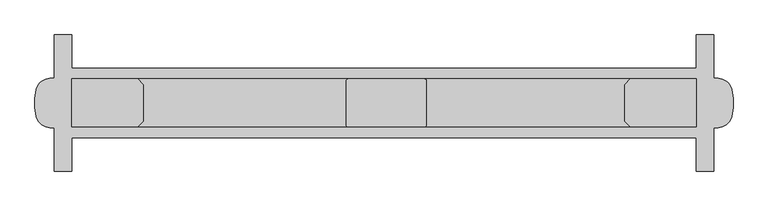
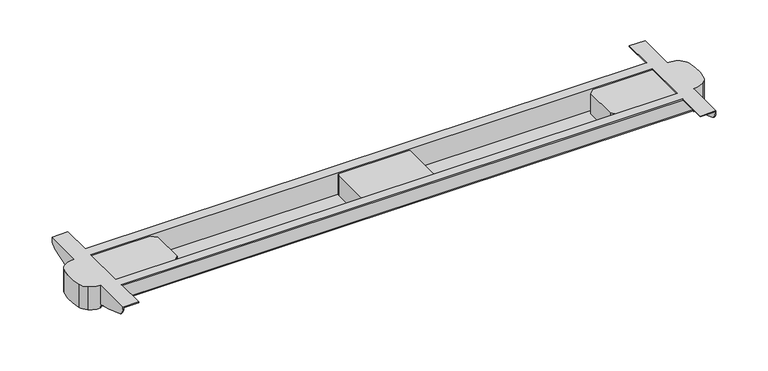
"""IFC4 building model written with IfcOpenShell, lengths in millimetres: furniture geometry."""

from ifc_helpers import new_model, si_unit, point, frame, frame_2d, origin, place, context, project, spatial, polyline, circle_curve, trimmed, segment, composite_curve, outline, extrude, source, transform, mapped, element, save
from ifc_brep_helpers import plane_surface, cylinder_surface, advanced_brep


def furniture_a9519adf(model_context):
    return source(origin(), model_context, "Body", "SolidModel", [
        advanced_brep(
        [(85.0, -480.0, 637.0), (58.2763436, -471.7002018, 637.0), (46.6942682, -454.9980486, 637.0), (46.6942682, -395.0019514, 637.0), (58.2763436, -378.2997982, 637.0), (85.0, -370.0, 637.0), (85.0, -376.0, 637.0), (1515.0, -376.0, 637.0), (1515.0, -370.0, 637.0), (1541.7236564, -378.2997982, 637.0), (1553.3057318, -395.0019514, 637.0), (1553.3057318, -454.9980486, 637.0), (1541.7236564, -471.7002018, 637.0), (1515.0, -480.0, 637.0), (1515.0, -474.0, 637.0), (85.0, -474.0, 637.0), (85.0, -370.0, 643.0), (85.0, -480.0, 643.0), (85.0, -373.0, 647.0), (85.0, -477.0, 647.0), (85.0, -477.0, 640.0), (85.0, -373.0, 640.0), (58.2763436, -378.2997982, 695.0), (85.0, -370.0, 695.0), (85.0, -370.0, 692.0), (85.0, -370.0, 647.0), (46.6942682, -395.0019514, 695.0), (46.6942682, -454.9980486, 695.0), (58.2763436, -471.7002018, 695.0), (85.0, -480.0, 695.0), (84.9091785, -480.0, 647.0), (85.0, -480.0, 692.0), (1541.7236564, -471.7002018, 695.0), (1515.0, -480.0, 695.0), (1515.0, -480.0, 692.0), (1515.0, -480.0, 647.0), (1515.0000004, -480.0, 643.0), (1553.3057318, -454.9980486, 695.0), (1553.3057318, -395.0019514, 695.0), (1541.7236564, -378.2997982, 695.0), (1515.0, -370.0, 695.0), (1515.0, -370.0, 643.0), (1515.0908215, -370.0, 647.0), (1515.0, -370.0, 692.0), (1515.0, -477.0, 647.0), (1515.0, -373.0, 647.0), (1515.0, -373.0, 640.0), (1515.0, -477.0, 640.0), (123.0, -349.5, 695.0), (1477.0, -349.5, 695.0), (1477.0, -349.5, 693.0), (1513.0, -349.5, 693.0), (1513.0, -349.5, 692.0), (87.0, -349.5, 692.0), (87.0, -349.5, 693.0), (123.0, -349.5, 693.0), (1513.0, -373.0, 647.0), (1513.0, -373.0, 693.0), (1477.0, -373.0, 693.0), (1477.0, -373.0, 695.0), (123.0, -373.0, 695.0), (123.0, -373.0, 693.0), (87.0, -373.0, 693.0), (87.0, -373.0, 647.0), (87.0, -477.0, 647.0), (87.0, -477.0, 693.0), (123.0, -477.0, 693.0), (123.0, -477.0, 695.0), (1477.0, -477.0, 695.0), (1477.0, -477.0, 693.0), (1513.0, -477.0, 693.0), (1513.0, -477.0, 647.0), (1477.0, -500.5, 695.0), (123.0, -500.5, 695.0), (123.0, -500.5, 693.0), (87.0, -500.5, 693.0), (87.0, -500.5, 692.0), (1513.0, -500.5, 692.0), (1513.0, -500.5, 693.0), (1477.0, -500.5, 693.0), (87.0, -480.0, 692.0), (1513.0, -480.0, 692.0), (1513.0, -480.0, 647.0), (87.0, -480.0, 647.0), (87.0, -370.0, 647.0), (87.0, -370.0, 692.0), (1513.0, -370.0, 692.0), (1513.0, -370.0, 647.0), (87.0, -572.5, 693.0), (123.0, -572.5, 693.0), (123.0, -572.5, 695.0), (85.0, -572.5, 695.0), (85.0, -572.5, 690.0), (87.0, -572.5, 690.0), (1515.0, -572.5, 695.0), (1477.0, -572.5, 695.0), (1477.0, -572.5, 693.0), (1513.0, -572.5, 693.0), (1513.0, -572.5, 690.0), (1515.0, -572.5, 690.0), (85.0, -277.5, 695.0), (123.0, -277.5, 695.0), (123.0, -277.5, 693.0), (87.0, -277.5, 693.0), (87.0, -277.5, 690.0), (85.0, -277.5, 690.0), (1513.0, -277.5, 693.0), (1477.0, -277.5, 693.0), (1477.0, -277.5, 695.0), (1515.0, -277.5, 695.0), (1515.0, -277.5, 690.0), (1513.0, -277.5, 690.0), (85.0, -482.2931901, 647.0), (85.0, -511.9736338, 654.4919759), (85.0, -561.3994142, 672.1446048), (85.0, -288.6005858, 672.1446048), (85.0, -338.0263662, 654.4919759), (85.0, -367.7068099, 647.0), (87.0, -367.7068099, 647.0), (87.0, -482.2931901, 647.0), (87.0, -561.3994142, 672.1446048), (87.0, -511.9736338, 654.4919759), (87.0, -338.0263662, 654.4919759), (87.0, -288.6005858, 672.1446048), (1513.0, -482.2931901, 647.0), (1513.0, -511.9736338, 654.4919759), (1513.0, -561.3994142, 672.1446048), (1513.0, -288.6005858, 672.1446048), (1513.0, -338.0263662, 654.4919759), (1513.0, -367.7068099, 647.0), (1515.0, -367.7068099, 647.0), (1515.0, -482.2931901, 647.0), (1515.0, -338.0263662, 654.4919759), (1515.0, -288.6005858, 672.1446048), (1515.0, -561.3994142, 672.1446048), (1515.0, -511.9736338, 654.4919759)],
        [
            (0, 1, circle_curve(frame((84.9545892, -432.9739542, 637.0), z_axis=(0.0, 0.0, -1.0), x_axis=(1.0, 0.0, 0.0)), 47.0260677)),
            (1, 2, circle_curve(frame((74.5881069, -448.0219812, 637.0), z_axis=(0.0, 0.0, -1.0), x_axis=(1.0, 0.0, 0.0)), 28.7529434)),
            (2, 3, circle_curve(frame((166.6416094, -425.0, 637.0), z_axis=(0.0, 0.0, -1.0), x_axis=(1.0, 0.0, 0.0)), 123.6416094)),
            (3, 4, circle_curve(frame((74.5881069, -401.9780188, 637.0), z_axis=(0.0, 0.0, -1.0), x_axis=(1.0, 0.0, 0.0)), 28.7529434)),
            (4, 5, circle_curve(frame((84.9545892, -417.0260458, 637.0), z_axis=(0.0, 0.0, -1.0), x_axis=(1.0, 0.0, 0.0)), 47.0260677)),
            (5, 6),
            (6, 7),
            (7, 8),
            (8, 9, circle_curve(frame((1515.0454108, -417.0260458, 637.0), z_axis=(0.0, 0.0, -1.0), x_axis=(1.0, 0.0, 0.0)), 47.0260677)),
            (9, 10, circle_curve(frame((1525.4118931, -401.9780188, 637.0), z_axis=(0.0, 0.0, -1.0), x_axis=(1.0, 0.0, 0.0)), 28.7529434)),
            (10, 11, circle_curve(frame((1433.3583906, -425.0, 637.0), z_axis=(0.0, 0.0, -1.0), x_axis=(1.0, 0.0, 0.0)), 123.6416094)),
            (11, 12, circle_curve(frame((1525.4118931, -448.0219812, 637.0), z_axis=(0.0, 0.0, -1.0), x_axis=(1.0, 0.0, 0.0)), 28.7529434)),
            (12, 13, circle_curve(frame((1515.0454108, -432.9739542, 637.0), z_axis=(0.0, 0.0, -1.0), x_axis=(1.0, 0.0, 0.0)), 47.0260677)),
            (13, 14),
            (14, 15),
            (15, 0),
            (5, 16),
            (16, 6, circle_curve(frame((85.0, -376.0, 643.0), z_axis=(-1.0, 0.0, 0.0), x_axis=(0.0, 1.0, 0.0)), 6.0)),
            (15, 17, circle_curve(frame((85.0, -474.0, 643.0), z_axis=(-1.0, 0.0, 0.0), x_axis=(0.0, 1.0, 0.0)), 6.0)),
            (17, 0),
            (18, 19),
            (19, 20),
            (20, 21),
            (21, 18),
            (22, 23, circle_curve(frame((84.9545892, -417.0260458, 695.0), z_axis=(0.0, 0.0, -1.0), x_axis=(1.0, 0.0, 0.0)), 47.0260677)),
            (23, 24),
            (24, 25),
            (25, 16),
            (4, 22),
            (26, 22, circle_curve(frame((74.5881069, -401.9780188, 695.0), z_axis=(0.0, 0.0, -1.0), x_axis=(1.0, 0.0, 0.0)), 28.7529434)),
            (3, 26),
            (27, 26, circle_curve(frame((166.6416094, -425.0, 695.0), z_axis=(0.0, 0.0, -1.0), x_axis=(1.0, 0.0, 0.0)), 123.6416094)),
            (2, 27),
            (28, 27, circle_curve(frame((74.5881069, -448.0219812, 695.0), z_axis=(0.0, 0.0, -1.0), x_axis=(1.0, 0.0, 0.0)), 28.7529434)),
            (1, 28),
            (29, 28, circle_curve(frame((84.9545892, -432.9739542, 695.0), z_axis=(0.0, 0.0, -1.0), x_axis=(1.0, 0.0, 0.0)), 47.0260677)),
            (17, 30),
            (30, 31),
            (31, 29),
            (32, 33, circle_curve(frame((1515.0454108, -432.9739542, 695.0), z_axis=(0.0, 0.0, -1.0), x_axis=(1.0, 0.0, 0.0)), 47.0260677)),
            (33, 34),
            (34, 35),
            (35, 36),
            (36, 13),
            (12, 32),
            (37, 32, circle_curve(frame((1525.4118931, -448.0219812, 695.0), z_axis=(0.0, 0.0, -1.0), x_axis=(1.0, 0.0, 0.0)), 28.7529434)),
            (11, 37),
            (38, 37, circle_curve(frame((1433.3583906, -425.0, 695.0), z_axis=(0.0, 0.0, -1.0), x_axis=(1.0, 0.0, 0.0)), 123.6416094)),
            (10, 38),
            (39, 38, circle_curve(frame((1525.4118931, -401.9780188, 695.0), z_axis=(0.0, 0.0, -1.0), x_axis=(1.0, 0.0, 0.0)), 28.7529434)),
            (9, 39),
            (40, 39, circle_curve(frame((1515.0454108, -417.0260458, 695.0), z_axis=(0.0, 0.0, -1.0), x_axis=(1.0, 0.0, 0.0)), 47.0260677)),
            (8, 41),
            (41, 42),
            (42, 43),
            (43, 40),
            (7, 41, circle_curve(frame((1515.0, -376.0, 643.0), z_axis=(1.0, 0.0, 0.0), x_axis=(0.0, 1.0, 0.0)), 6.0)),
            (36, 14, circle_curve(frame((1515.0, -474.0, 643.0), z_axis=(1.0, 0.0, 0.0), x_axis=(0.0, 1.0, 0.0)), 6.0)),
            (44, 45),
            (45, 46),
            (46, 47),
            (47, 44),
            (48, 49),
            (49, 50),
            (50, 51),
            (51, 52),
            (52, 53),
            (53, 54),
            (54, 55),
            (55, 48),
            (21, 46),
            (45, 56),
            (56, 57),
            (57, 58),
            (58, 59),
            (59, 60),
            (60, 61),
            (61, 62),
            (62, 63),
            (63, 18),
            (20, 47),
            (19, 64),
            (64, 65),
            (65, 66),
            (66, 67),
            (67, 68),
            (68, 69),
            (69, 70),
            (70, 71),
            (71, 44),
            (72, 73),
            (73, 74),
            (74, 75),
            (75, 76),
            (76, 77),
            (77, 78),
            (78, 79),
            (79, 72),
            (76, 80),
            (80, 81),
            (81, 77),
            (17, 36),
            (35, 82),
            (82, 81),
            (80, 83),
            (83, 30),
            (16, 41),
            (25, 84),
            (84, 85),
            (85, 86),
            (86, 87),
            (87, 42),
            (52, 86),
            (85, 53),
            (88, 89),
            (89, 90),
            (90, 91),
            (91, 92),
            (92, 93),
            (93, 88),
            (94, 95),
            (95, 96),
            (96, 97),
            (97, 98),
            (98, 99),
            (99, 94),
            (100, 101),
            (101, 102),
            (102, 103),
            (103, 104),
            (104, 105),
            (105, 100),
            (106, 107),
            (107, 108),
            (108, 109),
            (109, 110),
            (110, 111),
            (111, 106),
            (91, 29),
            (30, 112),
            (112, 113),
            (113, 114, circle_curve(frame((85.0, -444.8144565, 920.5518532), z_axis=(-1.0, 0.0, 0.0), x_axis=(0.0, 1.0, 0.0)), 274.4051993)),
            (114, 92, circle_curve(frame((85.0, -552.5894227, 690.0), z_axis=(-1.0, 0.0, 0.0), x_axis=(0.0, 1.0, 0.0)), 19.9105773)),
            (23, 100),
            (105, 115, circle_curve(frame((85.0, -297.4105773, 690.0), z_axis=(-1.0, 0.0, 0.0), x_axis=(0.0, 1.0, 0.0)), 19.9105773)),
            (115, 116, circle_curve(frame((85.0, -405.1855435, 920.5518532), z_axis=(-1.0, 0.0, 0.0), x_axis=(0.0, 1.0, 0.0)), 274.4051993)),
            (116, 117),
            (117, 25),
            (63, 64),
            (117, 118),
            (118, 84),
            (119, 112),
            (83, 119),
            (93, 120, circle_curve(frame((87.0, -552.5894227, 690.0), z_axis=(1.0, 0.0, 0.0), x_axis=(0.0, 1.0, 0.0)), 19.9105773)),
            (120, 121, circle_curve(frame((87.0, -444.8144565, 920.5518532), z_axis=(1.0, 0.0, 0.0), x_axis=(0.0, 1.0, 0.0)), 274.4051993)),
            (121, 119),
            (75, 88),
            (103, 54),
            (118, 122),
            (122, 123, circle_curve(frame((87.0, -405.1855435, 920.5518532), z_axis=(1.0, 0.0, 0.0), x_axis=(0.0, 1.0, 0.0)), 274.4051993)),
            (123, 104, circle_curve(frame((87.0, -297.4105773, 690.0), z_axis=(1.0, 0.0, 0.0), x_axis=(0.0, 1.0, 0.0)), 19.9105773)),
            (62, 65),
            (74, 89),
            (102, 55),
            (61, 66),
            (73, 90),
            (101, 48),
            (60, 67),
            (72, 95),
            (94, 33),
            (40, 109),
            (108, 49),
            (59, 68),
            (79, 96),
            (107, 50),
            (58, 69),
            (78, 97),
            (106, 51),
            (57, 70),
            (82, 124),
            (124, 125),
            (125, 126, circle_curve(frame((1513.0, -444.8144565, 920.5518532), z_axis=(-1.0, 0.0, 0.0), x_axis=(0.0, 1.0, 0.0)), 274.4051993)),
            (126, 98, circle_curve(frame((1513.0, -552.5894227, 690.0), z_axis=(-1.0, 0.0, 0.0), x_axis=(0.0, 1.0, 0.0)), 19.9105773)),
            (111, 127, circle_curve(frame((1513.0, -297.4105773, 690.0), z_axis=(-1.0, 0.0, 0.0), x_axis=(0.0, 1.0, 0.0)), 19.9105773)),
            (127, 128, circle_curve(frame((1513.0, -405.1855435, 920.5518532), z_axis=(-1.0, 0.0, 0.0), x_axis=(0.0, 1.0, 0.0)), 274.4051993)),
            (128, 129),
            (129, 87),
            (56, 71),
            (129, 130),
            (130, 42),
            (131, 124),
            (35, 131),
            (130, 132),
            (132, 133, circle_curve(frame((1515.0, -405.1855435, 920.5518532), z_axis=(1.0, 0.0, 0.0), x_axis=(0.0, 1.0, 0.0)), 274.4051993)),
            (133, 110, circle_curve(frame((1515.0, -297.4105773, 690.0), z_axis=(1.0, 0.0, 0.0), x_axis=(0.0, 1.0, 0.0)), 19.9105773)),
            (99, 134, circle_curve(frame((1515.0, -552.5894227, 690.0), z_axis=(1.0, 0.0, 0.0), x_axis=(0.0, 1.0, 0.0)), 19.9105773)),
            (134, 135, circle_curve(frame((1515.0, -444.8144565, 920.5518532), z_axis=(1.0, 0.0, 0.0), x_axis=(0.0, 1.0, 0.0)), 274.4051993)),
            (135, 131),
            (115, 123),
            (122, 116),
            (127, 133),
            (132, 128),
            (121, 113),
            (135, 125),
            (120, 114),
            (134, 126),
        ],
        [
            plane_surface(frame((85.0, -370.0, 637.0), z_axis=(0.0, 0.0, -1.0), x_axis=(0.0, -1.0, 0.0))),
            plane_surface(frame((85.0, -480.0, 695.0), z_axis=(1.0, 0.0, 0.0), x_axis=(0.0, 0.0, -1.0))),
            cylinder_surface(frame((84.9545892, -417.0260458, 637.0), z_axis=(0.0, 0.0, 1.0), x_axis=(1.0, 0.0, 0.0)), 47.0260677),
            cylinder_surface(frame((74.5881069, -401.9780188, 637.0), z_axis=(0.0, 0.0, 1.0), x_axis=(1.0, 0.0, 0.0)), 28.7529434),
            cylinder_surface(frame((166.6416094, -425.0, 637.0), z_axis=(0.0, 0.0, 1.0), x_axis=(1.0, 0.0, 0.0)), 123.6416094),
            cylinder_surface(frame((74.5881069, -448.0219812, 637.0), z_axis=(0.0, 0.0, 1.0), x_axis=(1.0, 0.0, 0.0)), 28.7529434),
            cylinder_surface(frame((84.9545892, -432.9739542, 637.0), z_axis=(0.0, 0.0, 1.0), x_axis=(1.0, 0.0, 0.0)), 47.0260677),
            cylinder_surface(frame((1515.0454108, -432.9739542, 0.0), z_axis=(0.0, 0.0, 1.0), x_axis=(1.0, 0.0, 0.0)), 47.0260677),
            cylinder_surface(frame((1525.4118931, -448.0219812, 0.0), z_axis=(0.0, 0.0, 1.0), x_axis=(1.0, 0.0, 0.0)), 28.7529434),
            cylinder_surface(frame((1433.3583906, -425.0, 0.0), z_axis=(0.0, 0.0, 1.0), x_axis=(1.0, 0.0, 0.0)), 123.6416094),
            cylinder_surface(frame((1525.4118931, -401.9780188, 0.0), z_axis=(0.0, 0.0, 1.0), x_axis=(1.0, 0.0, 0.0)), 28.7529434),
            cylinder_surface(frame((1515.0454108, -417.0260458, 0.0), z_axis=(0.0, 0.0, 1.0), x_axis=(1.0, 0.0, 0.0)), 47.0260677),
            plane_surface(frame((1515.0, -370.0, 695.0), z_axis=(-1.0, 0.0, 0.0), x_axis=(0.0, 0.0, -1.0))),
            plane_surface(frame((1515.0, -349.5, 692.0), z_axis=(0.0, 1.0, 0.0), x_axis=(-1.0, 0.0, 0.0))),
            plane_surface(frame((1515.0, -373.0, 695.0), z_axis=(0.0, -1.0, 0.0), x_axis=(-1.0, 0.0, 0.0))),
            plane_surface(frame((1515.0, -373.0, 640.0), z_axis=(0.0, 0.0, 1.0), x_axis=(-1.0, 0.0, 0.0))),
            plane_surface(frame((1515.0, -477.0, 640.0), z_axis=(0.0, 1.0, 0.0), x_axis=(-1.0, 0.0, 0.0))),
            plane_surface(frame((1515.0, -500.5, 695.0), z_axis=(0.0, -1.0, 0.0), x_axis=(-1.0, 0.0, 0.0))),
            plane_surface(frame((1515.0, -500.5, 692.0), z_axis=(0.0, 0.0, -1.0), x_axis=(-1.0, 0.0, 0.0))),
            plane_surface(frame((1515.0, -480.0, 692.0), z_axis=(0.0, -1.0, 0.0), x_axis=(-1.0, 0.0, 0.0))),
            cylinder_surface(frame((85.0, -474.0, 643.0), z_axis=(1.0, 0.0, 0.0), x_axis=(0.0, 1.0, 0.0)), 6.0),
            cylinder_surface(frame((85.0, -376.0, 643.0), z_axis=(1.0, 0.0, 0.0), x_axis=(0.0, 1.0, 0.0)), 6.0),
            plane_surface(frame((1515.0, -370.0, 643.0), z_axis=(0.0, 1.0, 0.0), x_axis=(-1.0, 0.0, 0.0))),
            plane_surface(frame((1515.0, -370.0, 692.0), z_axis=(0.0, 0.0, -1.0), x_axis=(-1.0, 0.0, 0.0))),
            plane_surface(frame((85.0, -572.5, 695.0), z_axis=(0.0, -1.0, 0.0), x_axis=(0.0, 0.0, -1.0))),
            plane_surface(frame((85.0, -277.5, 695.0), z_axis=(0.0, 1.0, 0.0), x_axis=(0.0, 0.0, 1.0))),
            plane_surface(frame((85.0, -572.5, 695.0), z_axis=(-1.0, 0.0, 0.0), x_axis=(0.0, 1.0, 0.0))),
            plane_surface(frame((85.0, -572.5, 647.0), z_axis=(0.0, 0.0, -1.0), x_axis=(0.0, 1.0, 0.0))),
            plane_surface(frame((87.0, -572.5, 647.0), z_axis=(1.0, 0.0, 0.0), x_axis=(0.0, 1.0, 0.0))),
            plane_surface(frame((87.0, -572.5, 693.0), z_axis=(0.0, 0.0, -1.0), x_axis=(0.0, 1.0, 0.0))),
            plane_surface(frame((123.0, -572.5, 693.0), z_axis=(1.0, 0.0, 0.0), x_axis=(0.0, 1.0, 0.0))),
            plane_surface(frame((123.0, -572.5, 695.0), z_axis=(0.0, 0.0, 1.0), x_axis=(0.0, 1.0, 0.0))),
            plane_surface(frame((1477.0, -572.5, 695.0), z_axis=(-1.0, 0.0, 0.0), x_axis=(0.0, 1.0, 0.0))),
            plane_surface(frame((1477.0, -572.5, 693.0), z_axis=(0.0, 0.0, -1.0), x_axis=(0.0, 1.0, 0.0))),
            plane_surface(frame((1513.0, -572.5, 693.0), z_axis=(-1.0, 0.0, 0.0), x_axis=(0.0, 1.0, 0.0))),
            plane_surface(frame((1513.0, -572.5, 647.0), z_axis=(0.0, 0.0, -1.0), x_axis=(0.0, 1.0, 0.0))),
            plane_surface(frame((1515.0, -572.5, 647.0), z_axis=(1.0, 0.0, 0.0), x_axis=(0.0, 1.0, 0.0))),
            cylinder_surface(frame((0.0, -405.1855435, 920.5518532), z_axis=(-1.0, 0.0, 0.0), x_axis=(0.0, 1.0, 0.0)), 274.4051993),
            plane_surface(frame((1600.0, -338.0263662, 654.4919759), z_axis=(0.0, 0.24474455091916344, -0.9695875952152941), x_axis=(-1.0, 0.0, 0.0))),
            plane_surface(frame((1600.0, -480.0, 646.42115), z_axis=(0.0, -0.24474455091824687, -0.9695875952155255), x_axis=(-1.0, 0.0, 0.0))),
            cylinder_surface(frame((0.0, -444.8144565, 920.5518532), z_axis=(-1.0, 0.0, 0.0), x_axis=(0.0, 1.0, 0.0)), 274.4051993),
            cylinder_surface(frame((0.0, -297.4105773, 690.0), z_axis=(-1.0, 0.0, 0.0), x_axis=(0.0, 1.0, 0.0)), 19.9105773),
            cylinder_surface(frame((0.0, -552.5894227, 690.0), z_axis=(-1.0, 0.0, 0.0), x_axis=(0.0, 1.0, 0.0)), 19.9105773),
        ],
        [
            (0, [[1, 2, 3, 4, 5, 6, 7, 8, 9, 10, 11, 12, 13, 14, 15, 16]]),
            (1, [[-6, 17, 18]]),
            (1, [[-16, 19, 20]]),
            (1, [[21, 22, 23, 24]]),
            (2, [[25, 26, 27, 28, -17, -5, 29]]),
            (3, [[30, -29, -4, 31]]),
            (4, [[32, -31, -3, 33]]),
            (5, [[34, -33, -2, 35]]),
            (6, [[36, -35, -1, -20, 37, 38, 39]]),
            (7, [[40, 41, 42, 43, 44, -13, 45]]),
            (8, [[46, -45, -12, 47]]),
            (9, [[48, -47, -11, 49]]),
            (10, [[50, -49, -10, 51]]),
            (11, [[52, -51, -9, 53, 54, 55, 56]]),
            (12, [[-8, 57, -53]]),
            (12, [[-14, -44, 58]]),
            (12, [[59, 60, 61, 62]]),
            (13, [[63, 64, 65, 66, 67, 68, 69, 70]]),
            (14, [[71, -60, 72, 73, 74, 75, 76, 77, 78, 79, 80, -24]]),
            (15, [[-71, -23, 81, -61]]),
            (16, [[-81, -22, 82, 83, 84, 85, 86, 87, 88, 89, 90, -62]]),
            (17, [[91, 92, 93, 94, 95, 96, 97, 98]]),
            (18, [[-95, 99, 100, 101]]),
            (19, [[102, -43, 103, 104, -100, 105, 106, -37]]),
            (20, [[-102, -19, -15, -58]]),
            (21, [[-7, -18, 107, -57]]),
            (22, [[-107, -28, 108, 109, 110, 111, 112, -54]]),
            (23, [[-67, 113, -110, 114]]),
            (24, [[115, 116, 117, 118, 119, 120]]),
            (24, [[121, 122, 123, 124, 125, 126]]),
            (25, [[127, 128, 129, 130, 131, 132]]),
            (25, [[133, 134, 135, 136, 137, 138]]),
            (26, [[-118, 139, -39, -38, 140, 141, 142, 143]]),
            (26, [[144, -132, 145, 146, 147, 148, -27, -26]]),
            (27, [[-21, -80, 149, -82]]),
            (27, [[150, 151, -108, -148]]),
            (27, [[152, -140, -106, 153]]),
            (28, [[-120, 154, 155, 156, -153, -105, -99, -94, 157]]),
            (28, [[-130, 158, -68, -114, -109, -151, 159, 160, 161]]),
            (28, [[-149, -79, 162, -83]]),
            (29, [[-115, -157, -93, 163]]),
            (29, [[-129, 164, -69, -158]]),
            (29, [[-162, -78, 165, -84]]),
            (30, [[-116, -163, -92, 166]]),
            (30, [[-128, 167, -70, -164]]),
            (30, [[-165, -77, 168, -85]]),
            (31, [[-117, -166, -91, 169, -121, 170, -40, -46, -48, -50, -52, 171, -135, 172, -63, -167, -127, -144, -25, -30, -32, -34, -36, -139], [173, -86, -168, -76]]),
            (32, [[-122, -169, -98, 174]]),
            (32, [[-134, 175, -64, -172]]),
            (32, [[-173, -75, 176, -87]]),
            (33, [[-123, -174, -97, 177]]),
            (33, [[-133, 178, -65, -175]]),
            (33, [[-176, -74, 179, -88]]),
            (34, [[-124, -177, -96, -101, -104, 180, 181, 182, 183]]),
            (34, [[-138, 184, 185, 186, 187, -111, -113, -66, -178]]),
            (34, [[-179, -73, 188, -89]]),
            (35, [[-188, -72, -59, -90]]),
            (35, [[189, 190, -112, -187]]),
            (35, [[191, -180, -103, 192]]),
            (36, [[-136, -171, -56, -55, -190, 193, 194, 195]]),
            (36, [[-170, -126, 196, 197, 198, -192, -42, -41]]),
            (37, [[199, -160, 200, -146]]),
            (37, [[201, -194, 202, -185]]),
            (38, [[-200, -159, -150, -147]]),
            (38, [[-202, -193, -189, -186]]),
            (39, [[203, -141, -152, -156]]),
            (39, [[204, -181, -191, -198]]),
            (40, [[-203, -155, 205, -142]]),
            (40, [[-204, -197, 206, -182]]),
            (41, [[-199, -145, -131, -161]]),
            (41, [[-201, -184, -137, -195]]),
            (42, [[-205, -154, -119, -143]]),
            (42, [[-206, -196, -125, -183]]),
        ],
    ),
        extrude(outline(polyline([(265.9941389, -373.0), (278.0, -385.0058611), (278.0, -464.9941389), (265.9941389, -477.0), (123.0, -477.0), (123.0, -373.0), (265.9941389, -373.0)])), frame((0.0, 0.0, 640.0), z_axis=(0.0, 0.0, 1.0), x_axis=(1.0, 0.0, 0.0)), (0.0, 0.0, 1.0), 52.0),
        extrude(outline(polyline([(1477.0, -373.0), (1477.0, -477.0), (1334.0058611, -477.0), (1322.0, -464.9941389), (1322.0, -385.0058611), (1334.0058611, -373.0), (1477.0, -373.0)])), frame((0.0, 0.0, 640.0), z_axis=(0.0, 0.0, 1.0), x_axis=(1.0, 0.0, 0.0)), (0.0, 0.0, 1.0), 52.0),
        extrude(outline(composite_curve([segment(trimmed(circle_curve(frame_2d((887.0, -378.0)), 5.0), [point((887.0, -373.0))], [point((892.0, -378.0))], False, "CARTESIAN"), True, "CONTINUOUS"), segment(polyline([(892.0, -378.0), (892.0, -472.0)]), True, "CONTINUOUS"), segment(trimmed(circle_curve(frame_2d((887.0, -472.0)), 5.0), [point((892.0, -472.0))], [point((887.0, -477.0))], False, "CARTESIAN"), True, "CONTINUOUS"), segment(polyline([(887.0, -477.0), (723.0, -477.0)]), True, "CONTINUOUS"), segment(trimmed(circle_curve(frame_2d((723.0, -472.0)), 5.0), [point((723.0, -477.0))], [point((718.0, -472.0))], False, "CARTESIAN"), True, "CONTINUOUS"), segment(polyline([(718.0, -472.0), (718.0, -378.0)]), True, "CONTINUOUS"), segment(trimmed(circle_curve(frame_2d((723.0, -378.0)), 5.0), [point((718.0, -378.0))], [point((723.0, -373.0))], False, "CARTESIAN"), True, "CONTINUOUS"), segment(polyline([(723.0, -373.0), (887.0, -373.0)]), True, "CONTINUOUS")], self_intersect=False)), frame((0.0, 0.0, 640.0), z_axis=(0.0, 0.0, 1.0), x_axis=(1.0, 0.0, 0.0)), (0.0, 0.0, 1.0), 52.0),
    ])


if __name__ == "__main__":
    model = new_model("IFC4")
    model_context = context("Model", 3, world=origin())
    ifc_project = project(units=[si_unit("LENGTHUNIT", "METRE", prefix="MILLI")], contexts=[model_context])
    site = spatial("IfcSite", under=ifc_project)
    building = spatial("IfcBuilding", under=site)
    placement = place(None, origin())
    furniture_shape = furniture_a9519adf(model_context)
    element("IfcFurniture", 1, at=placement, inside=building, context=model_context, shape_type="MappedRepresentation", body=[
        mapped(furniture_shape, transform((0.0, 0.0, 0.0), x_axis=(1.0, 0.0, 0.0), y_axis=(0.0, 1.0, 0.0), z_axis=(0.0, 0.0, 1.0))),
    ])
    save(model, "model.ifc")
